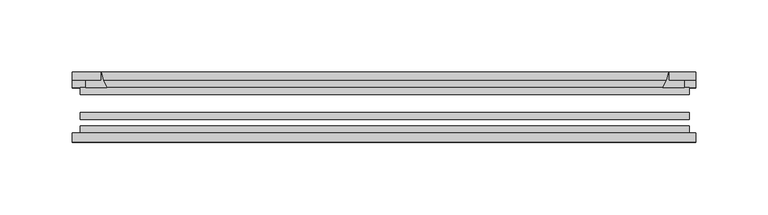
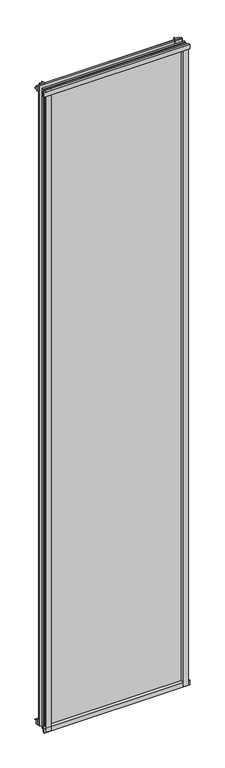
"""IFC4 building model written with IfcOpenShell, lengths in millimetres: plate geometry."""

from ifc_helpers import new_model, si_unit, point, frame, frame_2d, origin, place, context, project, spatial, polyline, circle_curve, trimmed, segment, composite_curve, outline, extrude, source, transform, mapped, element, save


def plate_3df94407(model_context):
    return source(origin(), model_context, "Body", "SweptSolid", [
        extrude(outline(composite_curve([segment(polyline([(-85.1328625, 1995.8039565), (-78.7828625, 1995.8039565), (-78.7828625, 1979.5538472)]), True, "CONTINUOUS"), segment(trimmed(circle_curve(frame_2d((-85.0581856, 1970.5040918)), 11.0126179), [point((-78.7828625, 1979.5538472))], [point((-85.1328625, 1981.5164565))], True, "CARTESIAN"), True, "CONTINUOUS"), segment(polyline([(-85.1328625, 1981.5164565), (-85.1328625, 1995.8039565)]), True, "CONTINUOUS")], self_intersect=False)), frame((-216.8921875, 0.0, 0.0), z_axis=(1.0, 0.0, 0.0), x_axis=(0.0, 1.0, 0.0)), (0.0, 0.0, 1.0), 432.59375),
        extrude(outline(composite_curve([segment(polyline([(-211.1375, -78.7828625), (-194.2762844, -78.7828625)]), True, "CONTINUOUS"), segment(trimmed(circle_curve(frame_2d((-183.7138809, -86.7604812)), 13.2365693), [point((-194.2762844, -78.7828625))], [point((-196.85, -85.1328625))], True, "CARTESIAN"), True, "CONTINUOUS"), segment(polyline([(-196.85, -85.1328625), (-211.1375, -85.1328625), (-211.1375, -78.7828625)]), True, "CONTINUOUS")], self_intersect=False)), frame((0.0, 0.0, -14.2875), z_axis=(0.0, 0.0, 1.0), x_axis=(1.0, 0.0, 0.0)), (0.0, 0.0, 1.0), 2009.775),
        extrude(outline(composite_curve([segment(polyline([(211.1375, -78.7828625), (211.1375, -85.1328625), (196.85, -85.1328625)]), True, "CONTINUOUS"), segment(trimmed(circle_curve(frame_2d((183.7138809, -86.7604812)), 13.2365693), [point((196.85, -85.1328625))], [point((194.2762844, -78.7828625))], True, "CARTESIAN"), True, "CONTINUOUS"), segment(polyline([(194.2762844, -78.7828625), (211.1375, -78.7828625)]), True, "CONTINUOUS")], self_intersect=False)), frame((0.0, 0.0, -14.2875), z_axis=(0.0, 0.0, 1.0), x_axis=(1.0, 0.0, 0.0)), (0.0, 0.0, 1.0), 2009.775),
        extrude(outline(composite_curve([segment(polyline([(-47.1852625, -10.4712201), (-47.1852625, 3.9588469)]), True, "CONTINUOUS"), segment(trimmed(circle_curve(frame_2d((-30.6824422, 32.267054)), 32.7673262), [point((-47.1852625, 3.9588469))], [point((-36.3503395, -0.00635))], True, "CARTESIAN"), True, "CONTINUOUS"), segment(polyline([(-36.3503395, -0.00635), (-42.2830625, -0.00635), (-42.2830625, -10.4712201), (-47.1852625, -10.4712201)]), True, "CONTINUOUS")], self_intersect=False)), frame((-216.8921875, 0.0, 0.0), z_axis=(1.0, 0.0, 0.0), x_axis=(0.0, 1.0, 0.0)), (0.0, 0.0, 1.0), 432.59375),
        extrude(outline(composite_curve([segment(polyline([(-78.7828625, -14.2875), (-85.1328625, -14.2875), (-85.1328625, -0.0127)]), True, "CONTINUOUS"), segment(trimmed(circle_curve(frame_2d((-86.7604812, 13.1234191)), 13.2365693), [point((-85.1328625, -0.0127))], [point((-78.7828625, 2.5610156))], True, "CARTESIAN"), True, "CONTINUOUS"), segment(polyline([(-78.7828625, 2.5610156), (-78.7828625, -14.2875)]), True, "CONTINUOUS")], self_intersect=False)), frame((-216.8921875, 0.0, 0.0), z_axis=(1.0, 0.0, 0.0), x_axis=(0.0, 1.0, 0.0)), (0.0, 0.0, 1.0), 432.59375),
        extrude(outline(composite_curve([segment(polyline([(-47.1852625, 1977.2284531), (-47.1852625, 1991.9002564), (-42.2830625, 1991.9002564), (-42.2830625, 1981.2), (-36.3140625, 1981.2)]), True, "CONTINUOUS"), segment(trimmed(circle_curve(frame_2d((-30.6824422, 1948.920246)), 32.7673262), [point((-36.3140625, 1981.2))], [point((-47.1852625, 1977.2284531))], True, "CARTESIAN"), True, "CONTINUOUS")], self_intersect=False)), frame((-216.8921875, 0.0, 0.0), z_axis=(1.0, 0.0, 0.0), x_axis=(0.0, 1.0, 0.0)), (0.0, 0.0, 1.0), 432.59375),
        extrude(outline(composite_curve([segment(trimmed(circle_curve(frame_2d((164.570246, -30.6824422)), 32.7673262), [point((192.8784531, -47.1852625))], [point((196.85, -36.3140625))], True, "CARTESIAN"), True, "CONTINUOUS"), segment(polyline([(196.85, -36.3140625), (196.85, -42.2830625), (207.5503653, -42.2830625), (207.5503653, -47.1852625), (192.8784531, -47.1852625)]), True, "CONTINUOUS")], self_intersect=False)), frame((0.0, 0.0, -14.2875), z_axis=(0.0, 0.0, 1.0), x_axis=(1.0, 0.0, 0.0)), (0.0, 0.0, 1.0), 2009.775),
        extrude(outline(composite_curve([segment(polyline([(-192.8784531, -47.1852625), (-207.5452092, -47.1852625), (-207.5452092, -42.2830625), (-196.85, -42.2830625), (-196.85, -36.3140625)]), True, "CONTINUOUS"), segment(trimmed(circle_curve(frame_2d((-164.570246, -30.6824422)), 32.7673262), [point((-196.85, -36.3140625))], [point((-192.8784531, -47.1852625))], True, "CARTESIAN"), True, "CONTINUOUS")], self_intersect=False)), frame((0.0, 0.0, -14.2875), z_axis=(0.0, 0.0, 1.0), x_axis=(1.0, 0.0, 0.0)), (0.0, 0.0, 1.0), 2009.775),
        extrude(outline(polyline([(211.1375, -64.6604625), (211.1375, -69.4356625), (-211.1375, -69.4356625), (-211.1375, -64.6604625), (211.1375, -64.6604625)])), frame((0.0, 0.0, -14.2875), z_axis=(0.0, 0.0, 1.0), x_axis=(1.0, 0.0, 0.0)), (0.0, 0.0, 1.0), 2009.775),
        extrude(outline(polyline([(-211.1375, -78.7828625), (-211.1375, -74.0076625), (211.1375, -74.0076625), (211.1375, -78.7828625), (-211.1375, -78.7828625)])), frame((0.0, 0.0, -14.2875), z_axis=(0.0, 0.0, 1.0), x_axis=(1.0, 0.0, 0.0)), (0.0, 0.0, 1.0), 2009.775),
        extrude(outline(polyline([(-211.1375, -47.1852625), (211.1375, -47.1852625), (211.1375, -51.9604625), (-211.1375, -51.9604625), (-211.1375, -47.1852625)])), frame((0.0, 0.0, -14.2875), z_axis=(0.0, 0.0, 1.0), x_axis=(1.0, 0.0, 0.0)), (0.0, 0.0, 1.0), 2009.775),
    ])


if __name__ == "__main__":
    model = new_model("IFC4")
    model_context = context("Model", 3, world=origin())
    ifc_project = project(units=[si_unit("LENGTHUNIT", "METRE", prefix="MILLI")], contexts=[model_context])
    site = spatial("IfcSite", under=ifc_project)
    building = spatial("IfcBuilding", under=site)
    placement = place(None, origin())
    plate_shape = plate_3df94407(model_context)
    element("IfcPlate", 1, at=placement, inside=building, context=model_context, shape_type="MappedRepresentation", body=[
        mapped(plate_shape, transform((0.0, 0.0, 0.0), x_axis=(1.0, 0.0, 0.0), y_axis=(0.0, 1.0, 0.0), z_axis=(0.0, 0.0, 1.0))),
    ])
    save(model, "model.ifc")
